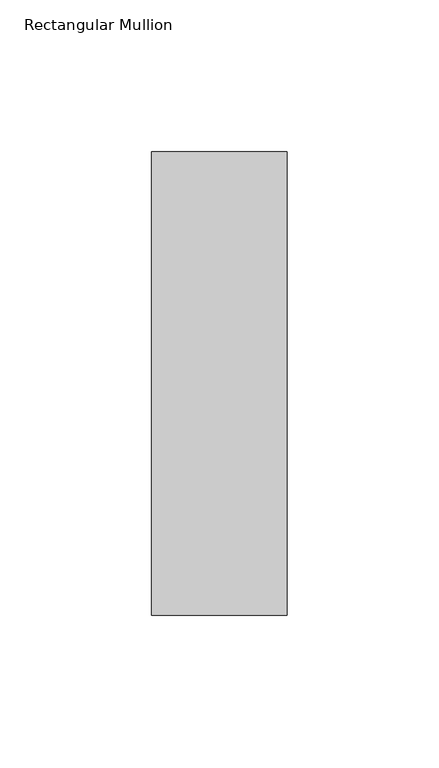
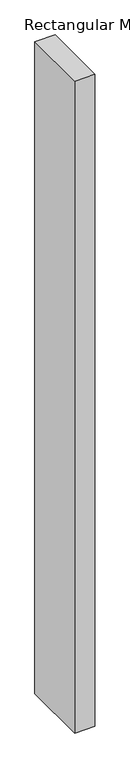
"""IFC4 building model written with IfcOpenShell, lengths in millimetres: member geometry, Rectangular Mullion."""

import ifcopenshell
import ifcopenshell.guid

model = None  # the IFC model being written
_history = None  # IfcOwnerHistory: only IFC2X3 demands one
_inside = {}  # id of a spatial element -> (the spatial element, [elements in it])
_under = {}  # id of a project, library or spatial element -> (it, [spatial elements below it])
_declared = {}  # id of a project -> (the project, [libraries it declares])
_typed = {}  # id of a type object -> (the type object, [elements of that type])
_made_of = {}  # id of a material, layer set ... -> (it, [elements and type objects made of it])


def new_model(schema):
    """Start an empty IFC model of exactly this schema.

    Asked for "IFC4X3", IfcOpenShell would pick the latest addendum, in which some entities
    have other attributes; the version numbers below select the first issue.
    IFC2X3 requires an IfcOwnerHistory on every rooted entity: one is made here for all.
    """
    global model, _history
    if schema == "IFC4X3":
        model = ifcopenshell.file(schema_version=(4, 3, 0, 0))
    else:
        model = ifcopenshell.file(schema=schema)
    _inside.clear()
    _under.clear()
    _declared.clear()
    _typed.clear()
    _made_of.clear()
    _history = None
    if model.schema == "IFC2X3":
        org = make("IfcOrganization", Name="unknown")
        user = make(
            "IfcPersonAndOrganization",
            ThePerson=make("IfcPerson", FamilyName="unknown"),
            TheOrganization=org,
        )
        app = make(
            "IfcApplication",
            ApplicationDeveloper=org,
            Version="unknown",
            ApplicationFullName="unknown",
            ApplicationIdentifier="unknown",
        )
        _history = make(
            "IfcOwnerHistory",
            OwningUser=user,
            OwningApplication=app,
            ChangeAction="ADDED",
            CreationDate=0,
        )
    return model


def make(cls, **values):
    """One entity of the class cls with the attributes given. An attribute that is None is left unset."""
    return model.create_entity(
        cls, **{name: value for name, value in values.items() if value is not None}
    )


def rooted(cls, **values):
    """An entity with a GlobalId (a new one), such as an element, a storey or a relation."""
    return make(cls, GlobalId=ifcopenshell.guid.new(), OwnerHistory=_history, **values)


def si_unit(unit_type, name, prefix=None):
    """IfcSIUnit, for example si_unit("LENGTHUNIT", "METRE", prefix="MILLI")."""
    return make("IfcSIUnit", UnitType=unit_type, Prefix=prefix, Name=name)


def assignment(units):
    """IfcUnitAssignment: the units of a project."""
    return None if units is None else make("IfcUnitAssignment", Units=units)


def point(xyz):
    """IfcCartesianPoint."""
    return None if xyz is None else make("IfcCartesianPoint", Coordinates=xyz)


def direction(xyz):
    """IfcDirection."""
    return None if xyz is None else make("IfcDirection", DirectionRatios=xyz)


def frame(location, z_axis=None, x_axis=None):
    """IfcAxis2Placement3D, a coordinate frame: its origin and axes. An axis left out is left unset."""
    return make(
        "IfcAxis2Placement3D",
        Location=point(location),
        Axis=direction(z_axis),
        RefDirection=direction(x_axis),
    )


def origin():
    """The frame at (0, 0, 0) with its axes left unset."""
    return frame((0.0, 0.0, 0.0))


def place(relative_to, where):
    """IfcLocalPlacement: puts the frame where relative to a parent placement (None: the world)."""
    return make(
        "IfcLocalPlacement", PlacementRelTo=relative_to, RelativePlacement=where
    )


def context(
    kind, dimensions, precision=None, world=None, true_north=None, identifier=None
):
    """IfcGeometricRepresentationContext, for example the 3D "Model" context."""
    return make(
        "IfcGeometricRepresentationContext",
        ContextIdentifier=identifier,
        ContextType=kind,
        CoordinateSpaceDimension=dimensions,
        Precision=precision,
        WorldCoordinateSystem=world,
        TrueNorth=true_north,
    )


def project(units=None, contexts=None):
    """IfcProject with its units and contexts."""
    return rooted(
        "IfcProject",
        Name="project",
        RepresentationContexts=contexts,
        UnitsInContext=assignment(units),
    )


def spatial(cls, under=None, at=None, **own):
    """A site, building, storey or space (cls), placed at a placement, below another one or the project."""
    s = rooted(cls, ObjectPlacement=at, **own)
    if under is not None:
        _under.setdefault(under.id(), (under, []))[1].append(s)
    return s


def polyline(points):
    """IfcPolyline through the points."""
    return make("IfcPolyline", Points=[point(p) for p in points])


def outline(outer, holes=None, kind="AREA"):
    """IfcArbitraryClosedProfileDef: a profile drawn as a closed curve; with holes, ...WithVoids."""
    if holes is None:
        return make("IfcArbitraryClosedProfileDef", ProfileType=kind, OuterCurve=outer)
    return make(
        "IfcArbitraryProfileDefWithVoids",
        ProfileType=kind,
        OuterCurve=outer,
        InnerCurves=holes,
    )


def extrude(swept, where, along, depth):
    """IfcExtrudedAreaSolid: the profile swept, set in the frame where, extruded along a direction by depth."""
    return make(
        "IfcExtrudedAreaSolid",
        SweptArea=swept,
        Position=where,
        ExtrudedDirection=direction(along),
        Depth=depth,
    )


def shape(context_of_items, identifier, shape_type, items):
    """IfcShapeRepresentation: the items that make up one representation, for example the "Body"."""
    return make(
        "IfcShapeRepresentation",
        ContextOfItems=context_of_items,
        RepresentationIdentifier=identifier,
        RepresentationType=shape_type,
        Items=items,
    )


def source(mapping_origin, context_of_items, identifier, shape_type, items):
    """IfcRepresentationMap: a shape defined once, which mapped items show again and again."""
    return make(
        "IfcRepresentationMap",
        MappingOrigin=mapping_origin,
        MappedRepresentation=shape(context_of_items, identifier, shape_type, items),
    )


def transform(
    local_origin,
    x_axis=None,
    y_axis=None,
    z_axis=None,
    scale=None,
    scale2=None,
    scale3=None,
    uniform=True,
):
    """IfcCartesianTransformationOperator3D, or its non-uniform kind. x_axis, y_axis, z_axis: its Axis1, 2, 3."""
    if uniform:
        return make(
            "IfcCartesianTransformationOperator3D",
            Axis1=direction(x_axis),
            Axis2=direction(y_axis),
            LocalOrigin=point(local_origin),
            Scale=scale,
            Axis3=direction(z_axis),
        )
    return make(
        "IfcCartesianTransformationOperator3DnonUniform",
        Axis1=direction(x_axis),
        Axis2=direction(y_axis),
        LocalOrigin=point(local_origin),
        Scale=scale,
        Axis3=direction(z_axis),
        Scale2=scale2,
        Scale3=scale3,
    )


def mapped(mapping_source, mapping_target):
    """IfcMappedItem: shows the shape of a source again, moved by a transform."""
    return make(
        "IfcMappedItem", MappingSource=mapping_source, MappingTarget=mapping_target
    )


def made_of(thing, what):
    """Note that an element or type object is made of a material, layer set ...; save() writes the relation."""
    if what is not None:
        _made_of.setdefault(what.id(), (what, []))[1].append(thing)
    return thing


def element(
    cls,
    number,
    at=None,
    inside=None,
    cuts=None,
    type_object=None,
    material=None,
    context=None,
    identifier="Body",
    shape_type=None,
    held_by="IfcProductDefinitionShape",
    body=None,
    shapes=None,
    **own,
):
    """One element of the class cls, such as IfcWall. Its Tag is "e" and its number.

    at: its placement. inside: the storey or other place that contains it. cuts: it is an
    opening in that element (IfcRelVoidsElement). A single representation is given by context,
    identifier, shape_type and body (its items); several are given by shapes. held_by: the class
    of the entity that holds the representations. save() writes the other relations.
    """
    e = rooted(cls, Tag="e%d" % number, ObjectPlacement=at, **own)
    if body is not None:
        shapes = [shape(context, identifier, shape_type, body)]
    if shapes is not None:
        e.Representation = make(held_by, Representations=shapes)
    if inside is not None:
        _inside.setdefault(inside.id(), (inside, []))[1].append(e)
    if cuts is not None:
        rooted(
            "IfcRelVoidsElement", RelatingBuildingElement=cuts, RelatedOpeningElement=e
        )
    if type_object is not None:
        _typed.setdefault(type_object.id(), (type_object, []))[1].append(e)
    return made_of(e, material)


def aggregate(whole, parts):
    """IfcRelAggregates: a whole, such as a stair, and the parts it consists of."""
    return rooted("IfcRelAggregates", RelatingObject=whole, RelatedObjects=parts)


def save(model, path):
    """Write the relations noted so far, then the file.

    IfcRelAggregates (storeys below a building ...), IfcRelContainedInSpatialStructure (elements
    in a storey), IfcRelDefinesByType, IfcRelAssociatesMaterial and IfcRelDeclares: one each for
    every whole, place, type object, material and project.
    """
    for whole, parts in _under.values():
        aggregate(whole, parts)
    for where, things in _inside.values():
        rooted(
            "IfcRelContainedInSpatialStructure",
            RelatedElements=things,
            RelatingStructure=where,
        )
    for kind, things in _typed.values():
        rooted("IfcRelDefinesByType", RelatedObjects=things, RelatingType=kind)
    for what, things in _made_of.values():
        rooted("IfcRelAssociatesMaterial", RelatedObjects=things, RelatingMaterial=what)
    for by, libraries in _declared.values():
        rooted("IfcRelDeclares", RelatingContext=by, RelatedDefinitions=libraries)
    model.write(path)


def rectangular_mullion_b17bb9b6(model_context):
    return source(origin(), model_context, "Body", "SweptSolid", [
        extrude(outline(polyline([(22.225, 76.1906616), (22.225, -76.1906616), (-22.225, -76.1906616), (-22.225, 76.1906616), (22.225, 76.1906616)])), frame((0.0, 0.0, -1524.0), z_axis=(0.0, 0.0, 1.0), x_axis=(1.0, 0.0, 0.0)), (0.0, 0.0, 1.0), 1524.0),
    ])


if __name__ == "__main__":
    model = new_model("IFC4")
    model_context = context("Model", 3, world=origin())
    ifc_project = project(units=[si_unit("LENGTHUNIT", "METRE", prefix="MILLI")], contexts=[model_context])
    site = spatial("IfcSite", under=ifc_project)
    building = spatial("IfcBuilding", under=site)
    placement = place(None, origin())
    rectangular_mullion_shape = rectangular_mullion_b17bb9b6(model_context)
    element("IfcMember", 1, ObjectType="Rectangular Mullion", at=placement, inside=building, context=model_context, shape_type="MappedRepresentation", body=[
        mapped(rectangular_mullion_shape, transform((0.0, 0.0, 0.0), x_axis=(1.0, 0.0, 0.0), y_axis=(0.0, 1.0, 0.0), z_axis=(0.0, 0.0, 1.0))),
    ])
    save(model, "model.ifc")
